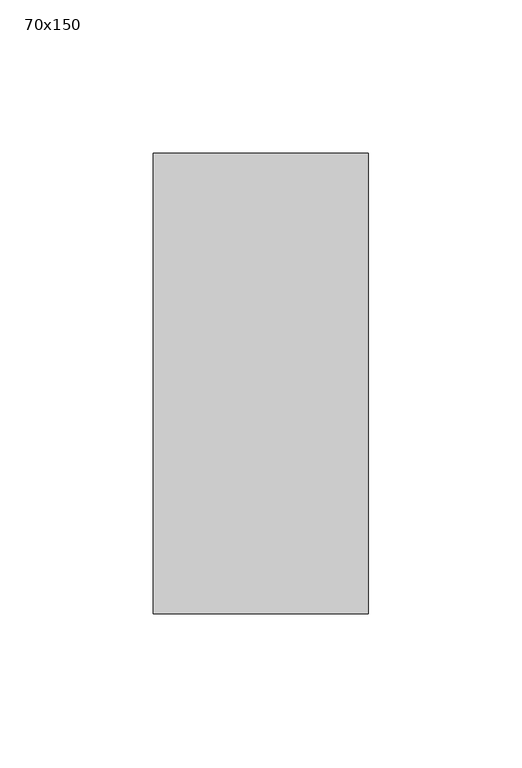
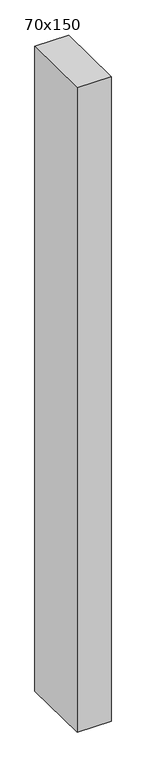
"""IFC4 building model written with IfcOpenShell, lengths in millimetres: member geometry, 70x150."""

from ifc_helpers import new_model, si_unit, frame, origin, place, context, project, spatial, polyline, outline, extrude, source, transform, mapped, element, save


def member_70x150_0db77144(model_context):
    return source(origin(), model_context, "Body", "SweptSolid", [
        extrude(outline(polyline([(-75.0, 0.3082573), (75.0, -0.3082573), (75.0, -1402.7317195), (-75.0, -1401.2193867), (-75.0, 0.3082573)])), frame((-70.0, 0.0, 0.0), z_axis=(1.0, 0.0, 0.0), x_axis=(0.0, 1.0, 0.0)), (0.0, 0.0, 1.0), 70.0),
    ])


if __name__ == "__main__":
    model = new_model("IFC4")
    model_context = context("Model", 3, world=origin())
    ifc_project = project(units=[si_unit("LENGTHUNIT", "METRE", prefix="MILLI")], contexts=[model_context])
    site = spatial("IfcSite", under=ifc_project)
    building = spatial("IfcBuilding", under=site)
    placement = place(None, origin())
    member_70x150_shape = member_70x150_0db77144(model_context)
    element("IfcMember", 1, ObjectType="70x150", at=placement, inside=building, context=model_context, shape_type="MappedRepresentation", body=[
        mapped(member_70x150_shape, transform((0.0, 0.0, 0.0), x_axis=(1.0, 0.0, 0.0), y_axis=(0.0, 1.0, 0.0), z_axis=(0.0, 0.0, 1.0))),
    ])
    save(model, "model.ifc")
